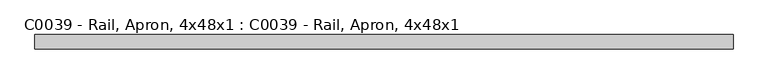
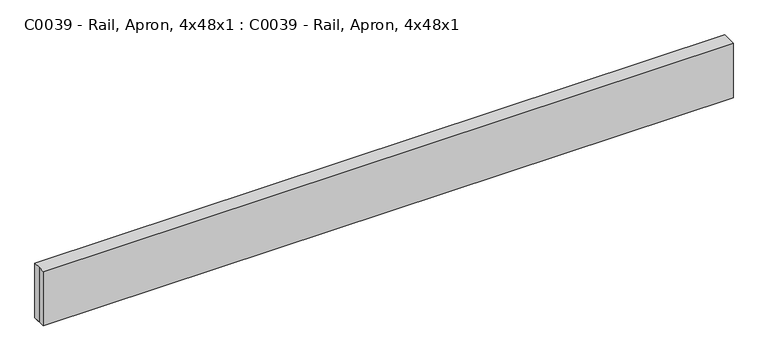
"""IFC4 building model written with IfcOpenShell, lengths in millimetres: proxy geometry, C0039 - Rail, Apron, 4x48x1 : C0039 - Rail, Apron, 4x48x1."""

from ifc_helpers import new_model, si_unit, origin, origin_with_axes, place, context, project, spatial, polyline, outline, extrude, source, transform, mapped, element, save


def c0039_rail_apron_4x48x1_c0039_rail_apron_4x48x1_e2c543dd(model_context):
    return source(origin(), model_context, "Body", "SweptSolid", [
        extrude(outline(polyline([(-609.6, 12.7), (609.6, 12.7), (609.6, -12.7), (-609.6, -12.7), (-609.6, 0.0), (-609.6, 12.7)])), origin_with_axes(), (0.0, 0.0, 1.0), 101.6),
        extrude(outline(polyline([(609.6, -12.7), (-609.6, -12.7), (-609.6, 12.7), (609.6, 12.7), (609.6, -12.7)])), origin_with_axes(), (0.0, 0.0, 1.0), 101.6),
    ])


if __name__ == "__main__":
    model = new_model("IFC4")
    model_context = context("Model", 3, world=origin())
    ifc_project = project(units=[si_unit("LENGTHUNIT", "METRE", prefix="MILLI")], contexts=[model_context])
    site = spatial("IfcSite", under=ifc_project)
    building = spatial("IfcBuilding", under=site)
    placement = place(None, origin())
    c0039_rail_apron_4x48x1_c0039_rail_apron_4x48x1_shape = c0039_rail_apron_4x48x1_c0039_rail_apron_4x48x1_e2c543dd(model_context)
    element("IfcBuildingElementProxy", 1, Name="C0039 - Rail, Apron, 4x48x1 : C0039 - Rail, Apron, 4x48x1", ObjectType="C0039 - Rail, Apron, 4x48x1 : C0039 - Rail, Apron, 4x48x1", at=placement, inside=building, context=model_context, shape_type="MappedRepresentation", body=[
        mapped(c0039_rail_apron_4x48x1_c0039_rail_apron_4x48x1_shape, transform((0.0, 0.0, 0.0), x_axis=(1.0, 0.0, 0.0), y_axis=(0.0, 1.0, 0.0), z_axis=(0.0, 0.0, 1.0))),
    ])
    save(model, "model.ifc")
